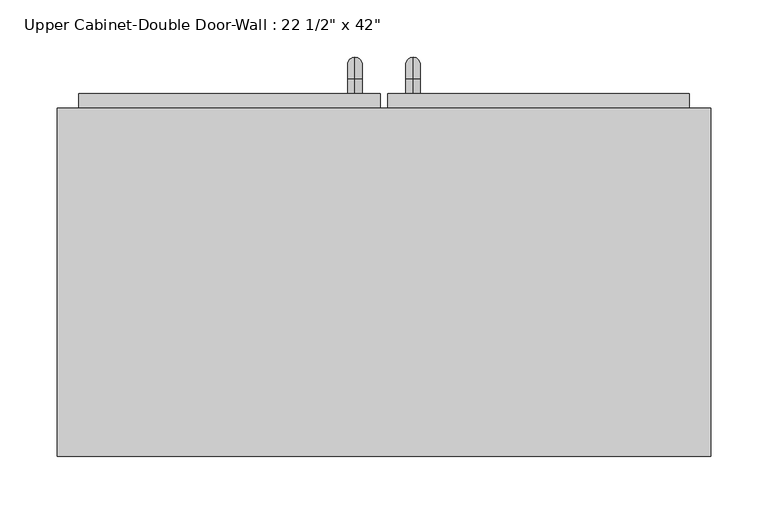
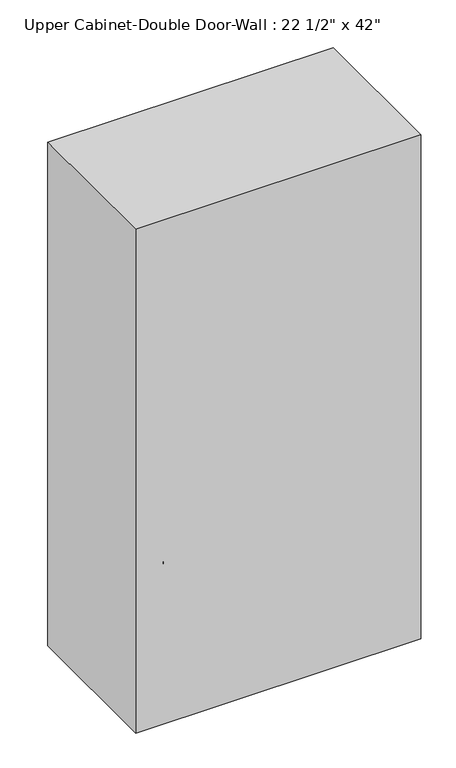
"""IFC4 building model written with IfcOpenShell, lengths in millimetres: furniture geometry."""

from ifc_helpers import new_model, si_unit, point, frame, origin, place, context, project, spatial, polyline, circle_curve, ellipse_curve, trimmed, outline, extrude, faceted_brep, source, transform, mapped, element, save
from ifc_brep_helpers import plane_surface, cylinder_surface, revolved_surface, advanced_brep


def furniture_80f6b9a7(model_context):
    return source(origin(), model_context, "Body", "SolidModel", [
        faceted_brep([(-255.9788372, 53.975, 2133.6), (-255.9788372, 53.975, 1066.8), (315.5211628, 53.975, 1066.8), (315.5211628, 53.975, 2133.6), (-255.9788372, 358.775, 2133.6), (315.5211628, 358.775, 2133.6), (315.5211628, 358.775, 1066.8), (-255.9788372, 358.775, 1066.8), (-236.9288372, 358.775, 2114.55), (-236.9288372, 358.775, 1085.85), (296.4711628, 358.775, 1085.85), (296.4711628, 358.775, 2114.55), (296.4711628, 73.025, 2114.55), (-236.9288372, 73.025, 2114.55), (296.4711628, 73.025, 1085.85), (-236.9288372, 73.025, 1085.85)], [[[0, 1, 2, 3]], [[4, 5, 6, 7], [8, 9, 10, 11]], [[1, 0, 4, 7]], [[2, 1, 7, 6]], [[3, 2, 6, 5]], [[0, 3, 5, 4]], [[8, 11, 12, 13]], [[11, 10, 14, 12]], [[10, 9, 15, 14]], [[9, 8, 13, 15]], [[13, 12, 14, 15]]]),
        advanced_brep(
        [(55.1711628, 371.475, 1212.85), (55.1711628, 371.475, 1225.55), (55.1711628, 384.175, 1212.85), (55.1711628, 384.175, 1225.55), (55.1711628, 403.225, 1206.5), (55.1711628, 390.525, 1206.5), (55.1711628, 390.525, 1130.3), (55.1711628, 403.225, 1130.3), (55.1711628, 384.175, 1111.25), (55.1711628, 384.175, 1123.95), (55.1711628, 371.475, 1123.95), (55.1711628, 371.475, 1111.25)],
        [
            (0, 1, circle_curve(frame((55.1711628, 371.475, 1219.2), z_axis=(0.0, -1.0, 0.0), x_axis=(0.0, 0.0, -1.0)), 6.35)),
            (1, 0, circle_curve(frame((55.1711628, 371.475, 1219.2), z_axis=(0.0, -1.0, 0.0), x_axis=(0.0, 0.0, -1.0)), 6.35)),
            (0, 2),
            (2, 3, circle_curve(frame((55.1711628, 384.175, 1219.2), z_axis=(0.0, -1.0, 0.0), x_axis=(0.0, 0.0, -1.0)), 6.35)),
            (3, 1),
            (3, 2, circle_curve(frame((55.1711628, 384.175, 1219.2), z_axis=(0.0, -1.0, 0.0), x_axis=(0.0, 0.0, -1.0)), 6.35)),
            (4, 3, circle_curve(frame((55.1711628, 384.175, 1206.5), z_axis=(1.0, 0.0, 0.0), x_axis=(0.0, 0.0, 1.0)), 19.05)),
            (2, 5, circle_curve(frame((55.1711628, 384.175, 1206.5), z_axis=(-1.0, 0.0, 0.0), x_axis=(0.0, 0.0, 1.0)), 6.35)),
            (5, 4, circle_curve(frame((55.1711628, 396.875, 1206.5), z_axis=(0.0, 0.0, 1.0), x_axis=(0.0, -1.0, 0.0)), 6.35)),
            (4, 5, circle_curve(frame((55.1711628, 396.875, 1206.5), z_axis=(0.0, 0.0, 1.0), x_axis=(0.0, -1.0, 0.0)), 6.35)),
            (5, 6),
            (6, 7, circle_curve(frame((55.1711628, 396.875, 1130.3), z_axis=(0.0, 0.0, 1.0), x_axis=(0.0, -1.0, 0.0)), 6.35)),
            (7, 4),
            (7, 6, circle_curve(frame((55.1711628, 396.875, 1130.3), z_axis=(0.0, 0.0, 1.0), x_axis=(0.0, -1.0, 0.0)), 6.35)),
            (8, 7, circle_curve(frame((55.1711628, 384.175, 1130.3), z_axis=(1.0, 0.0, 0.0), x_axis=(0.0, 1.0, 0.0)), 19.05)),
            (6, 9, circle_curve(frame((55.1711628, 384.175, 1130.3), z_axis=(-1.0, 0.0, 0.0), x_axis=(0.0, 1.0, 0.0)), 6.35)),
            (9, 8, circle_curve(frame((55.1711628, 384.175, 1117.6), z_axis=(0.0, 1.0, 0.0), x_axis=(0.0, 0.0, 1.0)), 6.35)),
            (8, 9, circle_curve(frame((55.1711628, 384.175, 1117.6), z_axis=(0.0, 1.0, 0.0), x_axis=(0.0, 0.0, 1.0)), 6.35)),
            (10, 11, circle_curve(frame((55.1711628, 371.475, 1117.6), z_axis=(0.0, -1.0, 0.0), x_axis=(0.0, 0.0, 1.0)), 6.35)),
            (11, 10, circle_curve(frame((55.1711628, 371.475, 1117.6), z_axis=(0.0, -1.0, 0.0), x_axis=(0.0, 0.0, 1.0)), 6.35)),
            (9, 10),
            (11, 8),
        ],
        [
            plane_surface(frame((48.8211628, 371.475, 1219.2), z_axis=(0.0, -1.0, 0.0), x_axis=(0.0, 0.0, 1.0))),
            cylinder_surface(frame((55.1711628, 371.475, 1219.2), z_axis=(0.0, -1.0, 0.0), x_axis=(0.0, 0.0, -1.0)), 6.35),
            revolved_surface(trimmed(ellipse_curve(frame((55.1711628, 384.175, 1219.2), z_axis=(0.0, -1.0, 0.0), x_axis=(0.0, 0.0, -1.0)), 6.35, 6.35), [point((55.1711628, 384.175, 1212.85))], [point((55.1711628, 384.175, 1225.55))], True, "CARTESIAN"), (55.1711628, 384.175, 1206.5), (-1.0, 0.0, 0.0)),
            revolved_surface(trimmed(ellipse_curve(frame((55.1711628, 384.175, 1219.2), z_axis=(0.0, -1.0, 0.0), x_axis=(0.0, 0.0, -1.0)), 6.35, 6.35), [point((55.1711628, 384.175, 1225.55))], [point((55.1711628, 384.175, 1212.85))], True, "CARTESIAN"), (55.1711628, 384.175, 1206.5), (-1.0, 0.0, 0.0)),
            cylinder_surface(frame((55.1711628, 396.875, 1206.5), z_axis=(0.0, 0.0, 1.0), x_axis=(0.0, -1.0, 0.0)), 6.35),
            revolved_surface(trimmed(ellipse_curve(frame((55.1711628, 396.875, 1130.3), z_axis=(0.0, 0.0, 1.0), x_axis=(0.0, -1.0, 0.0)), 6.35, 6.35), [point((55.1711628, 390.525, 1130.3))], [point((55.1711628, 403.225, 1130.3))], True, "CARTESIAN"), (55.1711628, 384.175, 1130.3), (-1.0, 0.0, 0.0)),
            revolved_surface(trimmed(ellipse_curve(frame((55.1711628, 396.875, 1130.3), z_axis=(0.0, 0.0, 1.0), x_axis=(0.0, -1.0, 0.0)), 6.35, 6.35), [point((55.1711628, 403.225, 1130.3))], [point((55.1711628, 390.525, 1130.3))], True, "CARTESIAN"), (55.1711628, 384.175, 1130.3), (-1.0, 0.0, 0.0)),
            plane_surface(frame((48.8211628, 371.475, 1117.6), z_axis=(0.0, -1.0, 0.0), x_axis=(0.0, 0.0, -1.0))),
            cylinder_surface(frame((55.1711628, 384.175, 1117.6), z_axis=(0.0, 1.0, 0.0), x_axis=(0.0, 0.0, 1.0)), 6.35),
        ],
        [
            (0, [[1, 2]]),
            (1, [[-1, 3, 4, 5]]),
            (1, [[-2, -5, 6, -3]]),
            (2, [[7, -4, 8, 9]]),
            (3, [[-8, -6, -7, 10]]),
            (4, [[-9, 11, 12, 13]]),
            (4, [[-10, -13, 14, -11]]),
            (5, [[15, -12, 16, 17]]),
            (6, [[-16, -14, -15, 18]]),
            (7, [[19, 20]]),
            (8, [[-17, 21, -20, 22]]),
            (8, [[-18, -22, -19, -21]]),
        ],
    ),
        advanced_brep(
        [(4.3711628, 371.475, 1212.85), (4.3711628, 371.475, 1225.55), (4.3711628, 384.175, 1212.85), (4.3711628, 384.175, 1225.55), (4.3711628, 403.225, 1206.5), (4.3711628, 390.525, 1206.5), (4.3711628, 390.525, 1130.3), (4.3711628, 403.225, 1130.3), (4.3711628, 384.175, 1111.25), (4.3711628, 384.175, 1123.95), (4.3711628, 371.475, 1123.95), (4.3711628, 371.475, 1111.25)],
        [
            (0, 1, circle_curve(frame((4.3711628, 371.475, 1219.2), z_axis=(0.0, -1.0, 0.0), x_axis=(0.0, 0.0, 1.0)), 6.35)),
            (1, 0, circle_curve(frame((4.3711628, 371.475, 1219.2), z_axis=(0.0, -1.0, 0.0), x_axis=(0.0, 0.0, 1.0)), 6.35)),
            (0, 2),
            (2, 3, circle_curve(frame((4.3711628, 384.175, 1219.2), z_axis=(0.0, -1.0, 0.0), x_axis=(0.0, 0.0, 1.0)), 6.35)),
            (3, 1),
            (3, 2, circle_curve(frame((4.3711628, 384.175, 1219.2), z_axis=(0.0, -1.0, 0.0), x_axis=(0.0, 0.0, 1.0)), 6.35)),
            (4, 3, circle_curve(frame((4.3711628, 384.175, 1206.5), z_axis=(1.0, 0.0, 0.0), x_axis=(0.0, 0.0, 1.0)), 19.05)),
            (2, 5, circle_curve(frame((4.3711628, 384.175, 1206.5), z_axis=(-1.0, 0.0, 0.0), x_axis=(0.0, 0.0, 1.0)), 6.35)),
            (5, 4, circle_curve(frame((4.3711628, 396.875, 1206.5), z_axis=(0.0, 0.0, 1.0), x_axis=(0.0, 1.0, 0.0)), 6.35)),
            (4, 5, circle_curve(frame((4.3711628, 396.875, 1206.5), z_axis=(0.0, 0.0, 1.0), x_axis=(0.0, 1.0, 0.0)), 6.35)),
            (5, 6),
            (6, 7, circle_curve(frame((4.3711628, 396.875, 1130.3), z_axis=(0.0, 0.0, 1.0), x_axis=(0.0, 1.0, 0.0)), 6.35)),
            (7, 4),
            (7, 6, circle_curve(frame((4.3711628, 396.875, 1130.3), z_axis=(0.0, 0.0, 1.0), x_axis=(0.0, 1.0, 0.0)), 6.35)),
            (8, 7, circle_curve(frame((4.3711628, 384.175, 1130.3), z_axis=(1.0, 0.0, 0.0), x_axis=(0.0, 1.0, 0.0)), 19.05)),
            (6, 9, circle_curve(frame((4.3711628, 384.175, 1130.3), z_axis=(-1.0, 0.0, 0.0), x_axis=(0.0, 1.0, 0.0)), 6.35)),
            (9, 8, circle_curve(frame((4.3711628, 384.175, 1117.6), z_axis=(0.0, 1.0, 0.0), x_axis=(0.0, 0.0, -1.0)), 6.35)),
            (8, 9, circle_curve(frame((4.3711628, 384.175, 1117.6), z_axis=(0.0, 1.0, 0.0), x_axis=(0.0, 0.0, -1.0)), 6.35)),
            (10, 11, circle_curve(frame((4.3711628, 371.475, 1117.6), z_axis=(0.0, -1.0, 0.0), x_axis=(0.0, 0.0, -1.0)), 6.35)),
            (11, 10, circle_curve(frame((4.3711628, 371.475, 1117.6), z_axis=(0.0, -1.0, 0.0), x_axis=(0.0, 0.0, -1.0)), 6.35)),
            (9, 10),
            (11, 8),
        ],
        [
            plane_surface(frame((-1.9788372, 371.475, 1219.2), z_axis=(0.0, -1.0, 0.0), x_axis=(0.0, 0.0, 1.0))),
            cylinder_surface(frame((4.3711628, 371.475, 1219.2), z_axis=(0.0, -1.0, 0.0), x_axis=(0.0, 0.0, 1.0)), 6.35),
            revolved_surface(trimmed(ellipse_curve(frame((4.3711628, 384.175, 1219.2), z_axis=(0.0, -1.0, 0.0), x_axis=(0.0, 0.0, 1.0)), 6.35, 6.35), [point((4.3711628, 384.175, 1212.85))], [point((4.3711628, 384.175, 1225.55))], True, "CARTESIAN"), (4.3711628, 384.175, 1206.5), (-1.0, 0.0, 0.0)),
            revolved_surface(trimmed(ellipse_curve(frame((4.3711628, 384.175, 1219.2), z_axis=(0.0, -1.0, 0.0), x_axis=(0.0, 0.0, 1.0)), 6.35, 6.35), [point((4.3711628, 384.175, 1225.55))], [point((4.3711628, 384.175, 1212.85))], True, "CARTESIAN"), (4.3711628, 384.175, 1206.5), (-1.0, 0.0, 0.0)),
            cylinder_surface(frame((4.3711628, 396.875, 1206.5), z_axis=(0.0, 0.0, 1.0), x_axis=(0.0, 1.0, 0.0)), 6.35),
            revolved_surface(trimmed(ellipse_curve(frame((4.3711628, 396.875, 1130.3), z_axis=(0.0, 0.0, 1.0), x_axis=(0.0, 1.0, 0.0)), 6.35, 6.35), [point((4.3711628, 390.525, 1130.3))], [point((4.3711628, 403.225, 1130.3))], True, "CARTESIAN"), (4.3711628, 384.175, 1130.3), (-1.0, 0.0, 0.0)),
            revolved_surface(trimmed(ellipse_curve(frame((4.3711628, 396.875, 1130.3), z_axis=(0.0, 0.0, 1.0), x_axis=(0.0, 1.0, 0.0)), 6.35, 6.35), [point((4.3711628, 403.225, 1130.3))], [point((4.3711628, 390.525, 1130.3))], True, "CARTESIAN"), (4.3711628, 384.175, 1130.3), (-1.0, 0.0, 0.0)),
            plane_surface(frame((-1.9788372, 371.475, 1117.6), z_axis=(0.0, -1.0, 0.0), x_axis=(0.0, 0.0, -1.0))),
            cylinder_surface(frame((4.3711628, 384.175, 1117.6), z_axis=(0.0, 1.0, 0.0), x_axis=(0.0, 0.0, -1.0)), 6.35),
        ],
        [
            (0, [[1, 2]]),
            (1, [[-1, 3, 4, 5]]),
            (1, [[-2, -5, 6, -3]]),
            (2, [[7, -4, 8, 9]]),
            (3, [[-8, -6, -7, 10]]),
            (4, [[-9, 11, 12, 13]]),
            (4, [[-10, -13, 14, -11]]),
            (5, [[15, -12, 16, 17]]),
            (6, [[-16, -14, -15, 18]]),
            (7, [[19, 20]]),
            (8, [[-17, 21, -20, 22]]),
            (8, [[-18, -22, -19, -21]]),
        ],
    ),
        extrude(outline(polyline([(32.9461628, 371.475), (296.4711628, 371.475), (296.4711628, 339.725), (32.9461628, 339.725), (32.9461628, 371.475)])), frame((0.0, 0.0, 1085.85), z_axis=(0.0, 0.0, 1.0), x_axis=(1.0, 0.0, 0.0)), (0.0, 0.0, 1.0), 1028.7),
        extrude(outline(polyline([(-236.9288372, 371.475), (26.5961628, 371.475), (26.5961628, 339.725), (-236.9288372, 339.725), (-236.9288372, 371.475)])), frame((0.0, 0.0, 1085.85), z_axis=(0.0, 0.0, 1.0), x_axis=(1.0, 0.0, 0.0)), (0.0, 0.0, 1.0), 1028.7),
    ])


if __name__ == "__main__":
    model = new_model("IFC4")
    model_context = context("Model", 3, world=origin())
    ifc_project = project(units=[si_unit("LENGTHUNIT", "METRE", prefix="MILLI")], contexts=[model_context])
    site = spatial("IfcSite", under=ifc_project)
    building = spatial("IfcBuilding", under=site)
    placement = place(None, origin())
    furniture_shape = furniture_80f6b9a7(model_context)
    element("IfcFurniture", 1, ObjectType="Upper Cabinet-Double Door-Wall : 22 1/2\" x 42\"", at=placement, inside=building, context=model_context, shape_type="MappedRepresentation", body=[
        mapped(furniture_shape, transform((0.0, 0.0, 0.0), x_axis=(1.0, 0.0, 0.0), y_axis=(0.0, 1.0, 0.0), z_axis=(0.0, 0.0, 1.0))),
    ])
    save(model, "model.ifc")
